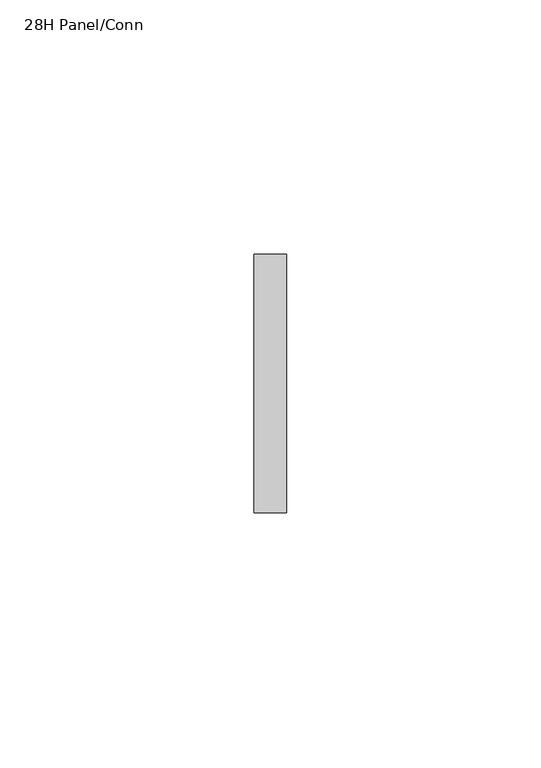
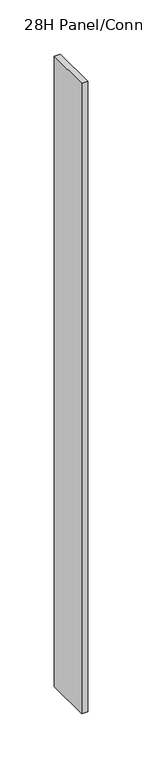
"""IFC4 building model written with IfcOpenShell, lengths in millimetres: furniture geometry, 28H Panel/Conn."""

from ifc_helpers import new_model, si_unit, frame, origin, place, context, project, spatial, polyline, outline, extrude, source, transform, mapped, element, save


def furniture_28h_panel_conn_0e8dd635(model_context):
    return source(origin(), model_context, "Body", "SweptSolid", [
        extrude(outline(polyline([(-60.5209988, 104.9709924), (-60.5209967, 54.1709916), (-66.8709967, 54.1709914), (-66.8709988, 104.9709922), (-60.5209988, 104.9709924)])), frame((0.0, 0.0, 873.1250008), z_axis=(0.0, 0.0, 1.0), x_axis=(1.0, 0.0, 0.0)), (0.0, 0.0, 1.0), 711.2),
    ])


if __name__ == "__main__":
    model = new_model("IFC4")
    model_context = context("Model", 3, world=origin())
    ifc_project = project(units=[si_unit("LENGTHUNIT", "METRE", prefix="MILLI")], contexts=[model_context])
    site = spatial("IfcSite", under=ifc_project)
    building = spatial("IfcBuilding", under=site)
    placement = place(None, origin())
    furniture_28h_panel_conn_shape = furniture_28h_panel_conn_0e8dd635(model_context)
    element("IfcFurniture", 1, ObjectType="28H Panel/Conn", at=placement, inside=building, context=model_context, shape_type="MappedRepresentation", body=[
        mapped(furniture_28h_panel_conn_shape, transform((0.0, 0.0, 0.0), x_axis=(1.0, 0.0, 0.0), y_axis=(0.0, 1.0, 0.0), z_axis=(0.0, 0.0, 1.0))),
    ])
    save(model, "model.ifc")
